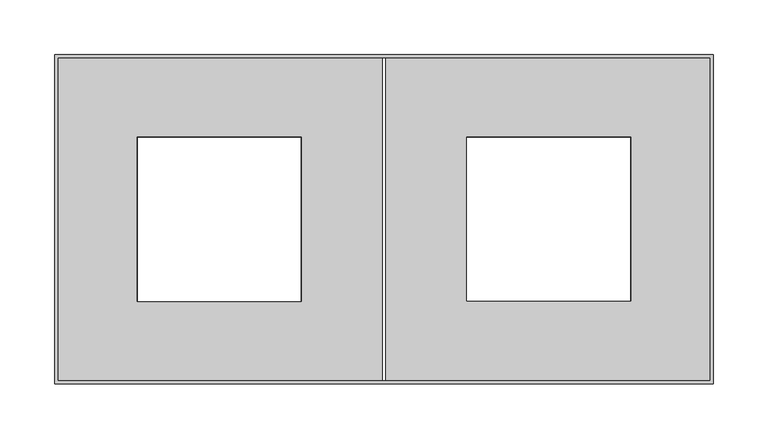
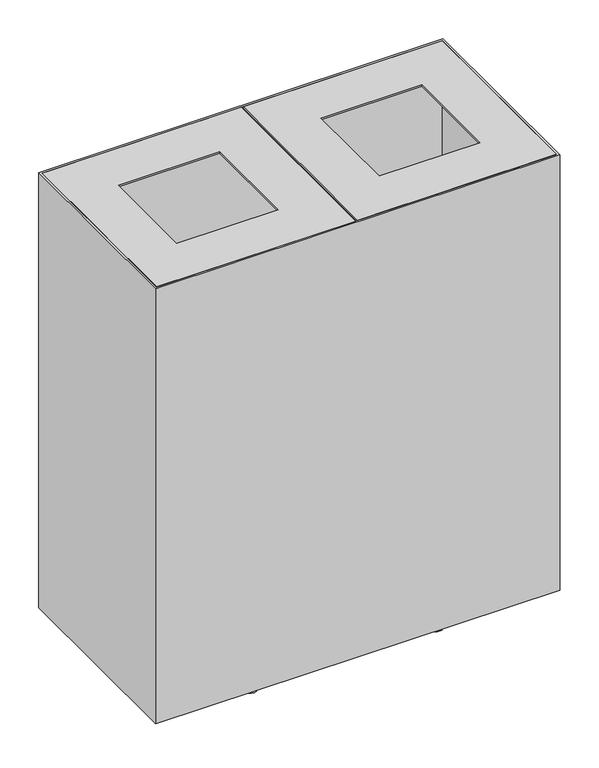
"""IFC4 building model written with IfcOpenShell, lengths in millimetres: furniture geometry."""

from ifc_helpers import new_model, si_unit, frame, origin, place, context, project, spatial, polyline, circle_curve, outline, extrude, source, transform, mapped, element, save
from ifc_brep_helpers import plane_surface, revolved_surface, advanced_brep


def furniture_6c28f2a2(model_context):
    return source(origin(), model_context, "Body", "SolidModel", [
        extrude(outline(polyline([(596.9413126, -3.175), (596.9413126, -296.926), (301.625, -296.926), (301.625, -3.175), (596.9413126, -3.175)]), holes=[polyline([(525.0637719, -75.2964578), (375.5556739, -75.2964578), (375.5556739, -224.8045422), (525.0637719, -224.8045422), (525.0637719, -75.2964578)])]), frame((0.0, 0.0, 687.705), z_axis=(0.0, 0.0, 1.0), x_axis=(1.0, 0.0, 0.0)), (0.0, 0.0, 1.0), 2.54),
        extrude(outline(polyline([(596.9413126, -3.175), (596.9413126, -296.926), (301.625, -296.926), (301.625, -3.175), (596.9413126, -3.175)]), holes=[polyline([(524.6025355, -75.2964578), (375.0944375, -75.2964578), (375.0944375, -224.8045422), (524.6025355, -224.8045422), (524.6025355, -75.2964578)])]), frame((0.0, 0.0, 15.0009864), z_axis=(0.0, 0.0, 1.0), x_axis=(1.0, 0.0, 0.0)), (0.0, 0.0, 1.0), 2.54),
        extrude(outline(polyline([(298.45, -3.175), (298.45, -296.926), (3.175, -296.926), (3.175, -3.175), (298.45, -3.175)]), holes=[polyline([(74.9350472, -224.9043499), (224.7849528, -224.9043499), (224.7849528, -74.9350472), (74.9350472, -74.9350472), (74.9350472, -224.9043499)])]), frame((0.0, 0.0, 687.705), z_axis=(0.0, 0.0, 1.0), x_axis=(1.0, 0.0, 0.0)), (0.0, 0.0, 1.0), 2.54),
        extrude(outline(polyline([(298.45, -3.175), (298.45, -296.926), (3.175, -296.926), (3.175, -3.175), (298.45, -3.175)]), holes=[polyline([(75.3962654, -75.3962654), (75.3962654, -224.9043499), (224.3237346, -224.9043499), (224.3237346, -75.3962654), (75.3962654, -75.3962654)])]), frame((0.0, 0.0, 15.0009864), z_axis=(0.0, 0.0, 1.0), x_axis=(1.0, 0.0, 0.0)), (0.0, 0.0, 1.0), 2.54),
        advanced_brep(
        [(435.9970634, -282.956, 0.0), (416.4738678, -282.956, 0.0), (440.7092158, -282.956, 15.24), (411.7617154, -282.956, 15.24)],
        [
            (0, 1, circle_curve(frame((426.2354656, -282.956, 0.0), z_axis=(0.0, 0.0, -1.0), x_axis=(1.0, 0.0, 0.0)), 9.7615978)),
            (1, 0, circle_curve(frame((426.2354656, -282.956, 0.0), z_axis=(0.0, 0.0, -1.0), x_axis=(-1.0, 0.0, 0.0)), 9.7615978)),
            (2, 3, circle_curve(frame((426.2354656, -282.956, 15.24), z_axis=(0.0, 0.0, 1.0), x_axis=(-1.0, 0.0, 0.0)), 14.4737502)),
            (3, 2, circle_curve(frame((426.2354656, -282.956, 15.24), z_axis=(0.0, 0.0, 1.0), x_axis=(1.0, 0.0, 0.0)), 14.4737502)),
            (2, 0),
            (1, 3),
        ],
        [
            plane_surface(frame((426.2354656, -282.956, 0.0), z_axis=(0.0, 0.0, -1.0), x_axis=(0.0, 1.0, 0.0))),
            plane_surface(frame((426.2354656, -282.956, 15.24), z_axis=(0.0, 0.0, 1.0), x_axis=(0.0, 1.0, 0.0))),
            revolved_surface(polyline([(416.4738678021924, -282.956, -3.552713678800501e-15), (411.7617154, -282.956, 15.239999999999998)]), (426.2354656, -282.956, -31.5708699), (0.0, 0.0, 1.0)),
            revolved_surface(polyline([(435.9970633978076, -282.956, -3.552713678800501e-15), (440.7092158, -282.956, 15.239999999999998)]), (426.2354656, -282.956, -31.5708699), (0.0, 0.0, 1.0)),
        ],
        [
            (0, [[1, 2]]),
            (1, [[3, 4]]),
            (2, [[-3, 5, -2, 6]]),
            (3, [[-4, -6, -1, -5]]),
        ],
    ),
        advanced_brep(
        [(435.9970634, -17.145, 0.0), (416.4738678, -17.145, 0.0), (440.7092158, -17.145, 15.24), (411.7617154, -17.145, 15.24)],
        [
            (0, 1, circle_curve(frame((426.2354656, -17.145, 0.0), z_axis=(0.0, 0.0, -1.0), x_axis=(1.0, 0.0, 0.0)), 9.7615978)),
            (1, 0, circle_curve(frame((426.2354656, -17.145, 0.0), z_axis=(0.0, 0.0, -1.0), x_axis=(-1.0, 0.0, 0.0)), 9.7615978)),
            (2, 3, circle_curve(frame((426.2354656, -17.145, 15.24), z_axis=(0.0, 0.0, 1.0), x_axis=(-1.0, 0.0, 0.0)), 14.4737502)),
            (3, 2, circle_curve(frame((426.2354656, -17.145, 15.24), z_axis=(0.0, 0.0, 1.0), x_axis=(1.0, 0.0, 0.0)), 14.4737502)),
            (2, 0),
            (1, 3),
        ],
        [
            plane_surface(frame((426.2354656, -17.145, 0.0), z_axis=(0.0, 0.0, -1.0), x_axis=(0.0, 1.0, 0.0))),
            plane_surface(frame((426.2354656, -17.145, 15.24), z_axis=(0.0, 0.0, 1.0), x_axis=(0.0, 1.0, 0.0))),
            revolved_surface(polyline([(416.4738678021924, -17.145, -3.552713678800501e-15), (411.7617154, -17.145, 15.239999999999998)]), (426.2354656, -17.145, -31.5708699), (0.0, 0.0, 1.0)),
            revolved_surface(polyline([(435.9970633978076, -17.145, -3.552713678800501e-15), (440.7092158, -17.145, 15.239999999999998)]), (426.2354656, -17.145, -31.5708699), (0.0, 0.0, 1.0)),
        ],
        [
            (0, [[1, 2]]),
            (1, [[3, 4]]),
            (2, [[-3, 5, -2, 6]]),
            (3, [[-4, -6, -1, -5]]),
        ],
    ),
        advanced_brep(
        [(159.6215978, -282.956, 0.0), (140.0984022, -282.956, 0.0), (164.3337502, -282.956, 15.24), (135.3862498, -282.956, 15.24)],
        [
            (0, 1, circle_curve(frame((149.86, -282.956, 0.0), z_axis=(0.0, 0.0, -1.0), x_axis=(1.0, 0.0, 0.0)), 9.7615978)),
            (1, 0, circle_curve(frame((149.86, -282.956, 0.0), z_axis=(0.0, 0.0, -1.0), x_axis=(-1.0, 0.0, 0.0)), 9.7615978)),
            (2, 3, circle_curve(frame((149.86, -282.956, 15.24), z_axis=(0.0, 0.0, 1.0), x_axis=(-1.0, 0.0, 0.0)), 14.4737502)),
            (3, 2, circle_curve(frame((149.86, -282.956, 15.24), z_axis=(0.0, 0.0, 1.0), x_axis=(1.0, 0.0, 0.0)), 14.4737502)),
            (2, 0),
            (1, 3),
        ],
        [
            plane_surface(frame((149.86, -282.956, 0.0), z_axis=(0.0, 0.0, -1.0), x_axis=(0.0, 1.0, 0.0))),
            plane_surface(frame((149.86, -282.956, 15.24), z_axis=(0.0, 0.0, 1.0), x_axis=(0.0, 1.0, 0.0))),
            revolved_surface(polyline([(140.09840220219237, -282.956, -3.552713678800501e-15), (135.3862498, -282.956, 15.239999999999998)]), (149.86, -282.956, -31.5708699), (0.0, 0.0, 1.0)),
            revolved_surface(polyline([(159.62159779780762, -282.956, -3.552713678800501e-15), (164.3337502, -282.956, 15.239999999999998)]), (149.86, -282.956, -31.5708699), (0.0, 0.0, 1.0)),
        ],
        [
            (0, [[1, 2]]),
            (1, [[3, 4]]),
            (2, [[-3, 5, -2, 6]]),
            (3, [[-4, -6, -1, -5]]),
        ],
    ),
        advanced_brep(
        [(159.6215978, -17.145, 0.0), (140.0984022, -17.145, 0.0), (164.3337502, -17.145, 15.24), (135.3862498, -17.145, 15.24)],
        [
            (0, 1, circle_curve(frame((149.86, -17.145, 0.0), z_axis=(0.0, 0.0, -1.0), x_axis=(1.0, 0.0, 0.0)), 9.7615978)),
            (1, 0, circle_curve(frame((149.86, -17.145, 0.0), z_axis=(0.0, 0.0, -1.0), x_axis=(-1.0, 0.0, 0.0)), 9.7615978)),
            (2, 3, circle_curve(frame((149.86, -17.145, 15.24), z_axis=(0.0, 0.0, 1.0), x_axis=(-1.0, 0.0, 0.0)), 14.4737502)),
            (3, 2, circle_curve(frame((149.86, -17.145, 15.24), z_axis=(0.0, 0.0, 1.0), x_axis=(1.0, 0.0, 0.0)), 14.4737502)),
            (2, 0),
            (1, 3),
        ],
        [
            plane_surface(frame((149.86, -17.145, 0.0), z_axis=(0.0, 0.0, -1.0), x_axis=(0.0, 1.0, 0.0))),
            plane_surface(frame((149.86, -17.145, 15.24), z_axis=(0.0, 0.0, 1.0), x_axis=(0.0, 1.0, 0.0))),
            revolved_surface(polyline([(140.09840220219237, -17.145, -3.552713678800501e-15), (135.3862498, -17.145, 15.239999999999998)]), (149.86, -17.145, -31.5708699), (0.0, 0.0, 1.0)),
            revolved_surface(polyline([(159.62159779780762, -17.145, -3.552713678800501e-15), (164.3337502, -17.145, 15.239999999999998)]), (149.86, -17.145, -31.5708699), (0.0, 0.0, 1.0)),
        ],
        [
            (0, [[1, 2]]),
            (1, [[3, 4]]),
            (2, [[-3, 5, -2, 6]]),
            (3, [[-4, -6, -1, -5]]),
        ],
    ),
        extrude(outline(polyline([(600.075, 0.0), (600.075, -300.101), (0.0, -300.101), (0.0, 0.0), (600.075, 0.0)]), holes=[polyline([(596.9, -3.175), (3.175, -3.175), (3.175, -296.926), (596.9, -296.926), (596.9, -3.175)])]), frame((0.0, 0.0, 8.001), z_axis=(0.0, 0.0, 1.0), x_axis=(1.0, 0.0, 0.0)), (0.0, 0.0, 1.0), 682.244),
    ])


if __name__ == "__main__":
    model = new_model("IFC4")
    model_context = context("Model", 3, world=origin())
    ifc_project = project(units=[si_unit("LENGTHUNIT", "METRE", prefix="MILLI")], contexts=[model_context])
    site = spatial("IfcSite", under=ifc_project)
    building = spatial("IfcBuilding", under=site)
    placement = place(None, origin())
    furniture_shape = furniture_6c28f2a2(model_context)
    element("IfcFurniture", 1, at=placement, inside=building, context=model_context, shape_type="MappedRepresentation", body=[
        mapped(furniture_shape, transform((0.0, 0.0, 0.0), x_axis=(1.0, 0.0, 0.0), y_axis=(0.0, 1.0, 0.0), z_axis=(0.0, 0.0, 1.0))),
    ])
    save(model, "model.ifc")
